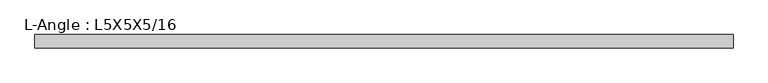
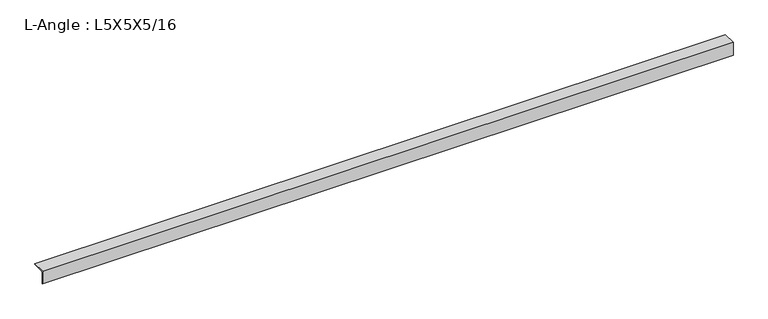
"""IFC4 building model written with IfcOpenShell, lengths in millimetres: beam geometry, L-Angle : L5X5X5/16."""

from ifc_helpers import new_model, si_unit, point, frame, frame_2d, origin, place, context, project, spatial, polyline, circle_curve, trimmed, segment, composite_curve, outline, extrude, source, transform, mapped, element, save


def l_angle_l5x5x5_16_ecece23a(model_context):
    return source(origin(), model_context, "Body", "SweptSolid", [
        extrude(outline(composite_curve([segment(polyline([(-34.3296875, 34.3296875), (92.6703125, 34.3296875)]), True, "CONTINUOUS"), segment(trimmed(circle_curve(frame_2d((84.7328125, 34.3296875)), 7.9375), [point((92.6703125, 34.3296875))], [point((84.7328125, 26.3921875))], False, "CARTESIAN"), True, "CONTINUOUS"), segment(polyline([(84.7328125, 26.3921875), (-18.4546875, 26.3921875)]), True, "CONTINUOUS"), segment(trimmed(circle_curve(frame_2d((-18.4546875, 18.4546875)), 7.9375), [point((-18.4546875, 26.3921875))], [point((-26.3921875, 18.4546875))], True, "CARTESIAN"), True, "CONTINUOUS"), segment(polyline([(-26.3921875, 18.4546875), (-26.3921875, -84.7328125)]), True, "CONTINUOUS"), segment(trimmed(circle_curve(frame_2d((-34.3296875, -84.7328125)), 7.9375), [point((-26.3921875, -84.7328125))], [point((-34.3296875, -92.6703125))], False, "CARTESIAN"), True, "CONTINUOUS"), segment(polyline([(-34.3296875, -92.6703125), (-34.3296875, 34.3296875)]), True, "CONTINUOUS")], self_intersect=False)), frame((-3285.5296875, 0.0, 0.0), z_axis=(1.0, 0.0, 0.0), x_axis=(0.0, 1.0, 0.0)), (0.0, 0.0, 1.0), 6629.4),
    ])


if __name__ == "__main__":
    model = new_model("IFC4")
    model_context = context("Model", 3, world=origin())
    ifc_project = project(units=[si_unit("LENGTHUNIT", "METRE", prefix="MILLI")], contexts=[model_context])
    site = spatial("IfcSite", under=ifc_project)
    building = spatial("IfcBuilding", under=site)
    placement = place(None, origin())
    l_angle_l5x5x5_16_shape = l_angle_l5x5x5_16_ecece23a(model_context)
    element("IfcBeam", 1, ObjectType="L-Angle : L5X5X5/16", at=placement, inside=building, context=model_context, shape_type="MappedRepresentation", body=[
        mapped(l_angle_l5x5x5_16_shape, transform((0.0, 0.0, 0.0), x_axis=(1.0, 0.0, 0.0), y_axis=(0.0, 1.0, 0.0), z_axis=(0.0, 0.0, 1.0))),
    ])
    save(model, "model.ifc")
